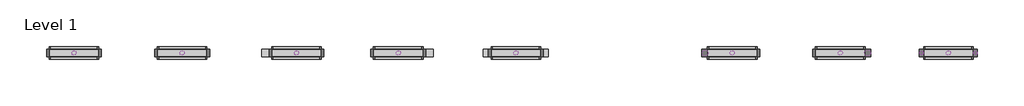
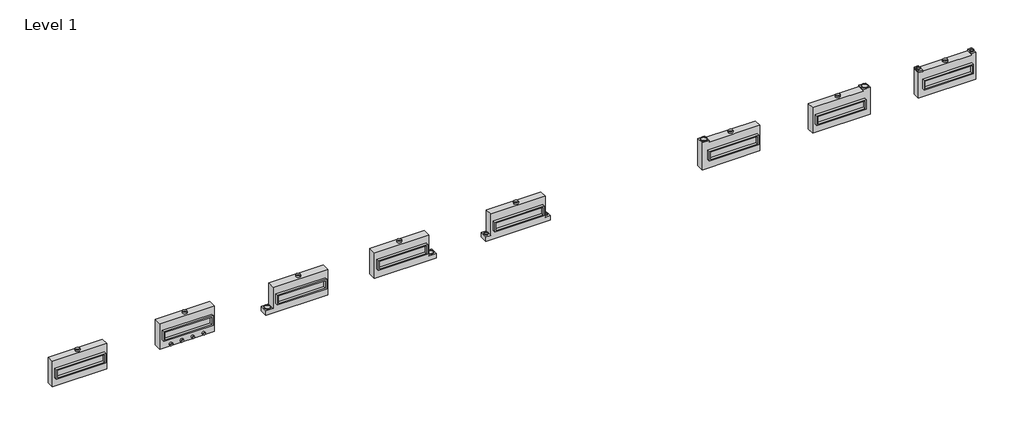
# One storey: 32 proxies.
"""IFC4 building model written with IfcOpenShell, lengths in millimetres."""

import ifcopenshell
import ifcopenshell.guid

model = None  # the IFC model being written
_history = None  # IfcOwnerHistory: only IFC2X3 demands one
_inside = {}  # id of a spatial element -> (the spatial element, [elements in it])
_under = {}  # id of a project, library or spatial element -> (it, [spatial elements below it])
_declared = {}  # id of a project -> (the project, [libraries it declares])
_typed = {}  # id of a type object -> (the type object, [elements of that type])
_made_of = {}  # id of a material, layer set ... -> (it, [elements and type objects made of it])


def new_model(schema):
    """Start an empty IFC model of exactly this schema.

    Asked for "IFC4X3", IfcOpenShell would pick the latest addendum, in which some entities
    have other attributes; the version numbers below select the first issue.
    IFC2X3 requires an IfcOwnerHistory on every rooted entity: one is made here for all.
    """
    global model, _history
    if schema == "IFC4X3":
        model = ifcopenshell.file(schema_version=(4, 3, 0, 0))
    else:
        model = ifcopenshell.file(schema=schema)
    _inside.clear()
    _under.clear()
    _declared.clear()
    _typed.clear()
    _made_of.clear()
    _history = None
    if model.schema == "IFC2X3":
        org = make("IfcOrganization", Name="unknown")
        user = make(
            "IfcPersonAndOrganization",
            ThePerson=make("IfcPerson", FamilyName="unknown"),
            TheOrganization=org,
        )
        app = make(
            "IfcApplication",
            ApplicationDeveloper=org,
            Version="unknown",
            ApplicationFullName="unknown",
            ApplicationIdentifier="unknown",
        )
        _history = make(
            "IfcOwnerHistory",
            OwningUser=user,
            OwningApplication=app,
            ChangeAction="ADDED",
            CreationDate=0,
        )
    return model


def make(cls, **values):
    """One entity of the class cls with the attributes given. An attribute that is None is left unset."""
    return model.create_entity(
        cls, **{name: value for name, value in values.items() if value is not None}
    )


def rooted(cls, **values):
    """An entity with a GlobalId (a new one), such as an element, a storey or a relation."""
    return make(cls, GlobalId=ifcopenshell.guid.new(), OwnerHistory=_history, **values)


def si_unit(unit_type, name, prefix=None):
    """IfcSIUnit, for example si_unit("LENGTHUNIT", "METRE", prefix="MILLI")."""
    return make("IfcSIUnit", UnitType=unit_type, Prefix=prefix, Name=name)


def assignment(units):
    """IfcUnitAssignment: the units of a project."""
    return None if units is None else make("IfcUnitAssignment", Units=units)


def point(xyz):
    """IfcCartesianPoint."""
    return None if xyz is None else make("IfcCartesianPoint", Coordinates=xyz)


def direction(xyz):
    """IfcDirection."""
    return None if xyz is None else make("IfcDirection", DirectionRatios=xyz)


def frame(location, z_axis=None, x_axis=None):
    """IfcAxis2Placement3D, a coordinate frame: its origin and axes. An axis left out is left unset."""
    return make(
        "IfcAxis2Placement3D",
        Location=point(location),
        Axis=direction(z_axis),
        RefDirection=direction(x_axis),
    )


def frame_2d(location, x_axis=None):
    """IfcAxis2Placement2D, a coordinate frame in the plane: its origin and x axis."""
    return make(
        "IfcAxis2Placement2D", Location=point(location), RefDirection=direction(x_axis)
    )


def origin():
    """The frame at (0, 0, 0) with its axes left unset."""
    return frame((0.0, 0.0, 0.0))


def origin_with_axes():
    """The frame at (0, 0, 0) with the z axis (0, 0, 1) and the x axis (1, 0, 0) written out."""
    return frame((0.0, 0.0, 0.0), z_axis=(0.0, 0.0, 1.0), x_axis=(1.0, 0.0, 0.0))


def origin_2d():
    """The frame at (0, 0) in the plane with its x axis left unset."""
    return frame_2d((0.0, 0.0))


def place(relative_to, where):
    """IfcLocalPlacement: puts the frame where relative to a parent placement (None: the world)."""
    return make(
        "IfcLocalPlacement", PlacementRelTo=relative_to, RelativePlacement=where
    )


def context(
    kind, dimensions, precision=None, world=None, true_north=None, identifier=None
):
    """IfcGeometricRepresentationContext, for example the 3D "Model" context."""
    return make(
        "IfcGeometricRepresentationContext",
        ContextIdentifier=identifier,
        ContextType=kind,
        CoordinateSpaceDimension=dimensions,
        Precision=precision,
        WorldCoordinateSystem=world,
        TrueNorth=true_north,
    )


def project(units=None, contexts=None):
    """IfcProject with its units and contexts."""
    return rooted(
        "IfcProject",
        Name="project",
        RepresentationContexts=contexts,
        UnitsInContext=assignment(units),
    )


def spatial(cls, under=None, at=None, **own):
    """A site, building, storey or space (cls), placed at a placement, below another one or the project."""
    s = rooted(cls, ObjectPlacement=at, **own)
    if under is not None:
        _under.setdefault(under.id(), (under, []))[1].append(s)
    return s


def polyline(points):
    """IfcPolyline through the points."""
    return make("IfcPolyline", Points=[point(p) for p in points])


def circle_curve(where, radius):
    """IfcCircle in the frame where."""
    return make("IfcCircle", Position=where, Radius=radius)


def trimmed(basis, trim1, trim2, sense, master):
    """IfcTrimmedCurve: the piece of a basis curve between two trims."""
    return make(
        "IfcTrimmedCurve",
        BasisCurve=basis,
        Trim1=trim1,
        Trim2=trim2,
        SenseAgreement=sense,
        MasterRepresentation=master,
    )


def segment(curve, same_sense, transition):
    """IfcCompositeCurveSegment."""
    return make(
        "IfcCompositeCurveSegment",
        Transition=transition,
        SameSense=same_sense,
        ParentCurve=curve,
    )


def composite_curve(segments, self_intersect=None):
    """IfcCompositeCurve: segments joined end to end."""
    return make("IfcCompositeCurve", Segments=segments, SelfIntersect=self_intersect)


def outline(outer, holes=None, kind="AREA"):
    """IfcArbitraryClosedProfileDef: a profile drawn as a closed curve; with holes, ...WithVoids."""
    if holes is None:
        return make("IfcArbitraryClosedProfileDef", ProfileType=kind, OuterCurve=outer)
    return make(
        "IfcArbitraryProfileDefWithVoids",
        ProfileType=kind,
        OuterCurve=outer,
        InnerCurves=holes,
    )


def extrude(swept, where, along, depth):
    """IfcExtrudedAreaSolid: the profile swept, set in the frame where, extruded along a direction by depth."""
    return make(
        "IfcExtrudedAreaSolid",
        SweptArea=swept,
        Position=where,
        ExtrudedDirection=direction(along),
        Depth=depth,
    )


def shape(context_of_items, identifier, shape_type, items):
    """IfcShapeRepresentation: the items that make up one representation, for example the "Body"."""
    return make(
        "IfcShapeRepresentation",
        ContextOfItems=context_of_items,
        RepresentationIdentifier=identifier,
        RepresentationType=shape_type,
        Items=items,
    )


def source(mapping_origin, context_of_items, identifier, shape_type, items):
    """IfcRepresentationMap: a shape defined once, which mapped items show again and again."""
    return make(
        "IfcRepresentationMap",
        MappingOrigin=mapping_origin,
        MappedRepresentation=shape(context_of_items, identifier, shape_type, items),
    )


def transform(
    local_origin,
    x_axis=None,
    y_axis=None,
    z_axis=None,
    scale=None,
    scale2=None,
    scale3=None,
    uniform=True,
):
    """IfcCartesianTransformationOperator3D, or its non-uniform kind. x_axis, y_axis, z_axis: its Axis1, 2, 3."""
    if uniform:
        return make(
            "IfcCartesianTransformationOperator3D",
            Axis1=direction(x_axis),
            Axis2=direction(y_axis),
            LocalOrigin=point(local_origin),
            Scale=scale,
            Axis3=direction(z_axis),
        )
    return make(
        "IfcCartesianTransformationOperator3DnonUniform",
        Axis1=direction(x_axis),
        Axis2=direction(y_axis),
        LocalOrigin=point(local_origin),
        Scale=scale,
        Axis3=direction(z_axis),
        Scale2=scale2,
        Scale3=scale3,
    )


def mapped(mapping_source, mapping_target):
    """IfcMappedItem: shows the shape of a source again, moved by a transform."""
    return make(
        "IfcMappedItem", MappingSource=mapping_source, MappingTarget=mapping_target
    )


def made_of(thing, what):
    """Note that an element or type object is made of a material, layer set ...; save() writes the relation."""
    if what is not None:
        _made_of.setdefault(what.id(), (what, []))[1].append(thing)
    return thing


def element(
    cls,
    number,
    at=None,
    inside=None,
    cuts=None,
    type_object=None,
    material=None,
    context=None,
    identifier="Body",
    shape_type=None,
    held_by="IfcProductDefinitionShape",
    body=None,
    shapes=None,
    **own,
):
    """One element of the class cls, such as IfcWall. Its Tag is "e" and its number.

    at: its placement. inside: the storey or other place that contains it. cuts: it is an
    opening in that element (IfcRelVoidsElement). A single representation is given by context,
    identifier, shape_type and body (its items); several are given by shapes. held_by: the class
    of the entity that holds the representations. save() writes the other relations.
    """
    e = rooted(cls, Tag="e%d" % number, ObjectPlacement=at, **own)
    if body is not None:
        shapes = [shape(context, identifier, shape_type, body)]
    if shapes is not None:
        e.Representation = make(held_by, Representations=shapes)
    if inside is not None:
        _inside.setdefault(inside.id(), (inside, []))[1].append(e)
    if cuts is not None:
        rooted(
            "IfcRelVoidsElement", RelatingBuildingElement=cuts, RelatedOpeningElement=e
        )
    if type_object is not None:
        _typed.setdefault(type_object.id(), (type_object, []))[1].append(e)
    return made_of(e, material)


def aggregate(whole, parts):
    """IfcRelAggregates: a whole, such as a stair, and the parts it consists of."""
    return rooted("IfcRelAggregates", RelatingObject=whole, RelatedObjects=parts)


def save(model, path):
    """Write the relations noted so far, then the file.

    IfcRelAggregates (storeys below a building ...), IfcRelContainedInSpatialStructure (elements
    in a storey), IfcRelDefinesByType, IfcRelAssociatesMaterial and IfcRelDeclares: one each for
    every whole, place, type object, material and project.
    """
    for whole, parts in _under.values():
        aggregate(whole, parts)
    for where, things in _inside.values():
        rooted(
            "IfcRelContainedInSpatialStructure",
            RelatedElements=things,
            RelatingStructure=where,
        )
    for kind, things in _typed.values():
        rooted("IfcRelDefinesByType", RelatedObjects=things, RelatingType=kind)
    for what, things in _made_of.values():
        rooted("IfcRelAssociatesMaterial", RelatedObjects=things, RelatingMaterial=what)
    for by, libraries in _declared.values():
        rooted("IfcRelDeclares", RelatingContext=by, RelatedDefinitions=libraries)
    model.write(path)


def as_specified_ab51f94f(model_context):
    return source(origin(), model_context, "Body", "SweptSolid", [
        extrude(outline(polyline([(1612.9, 361.95), (1612.9, -298.45), (-1612.9, -298.45), (-1612.9, 361.95), (1612.9, 361.95)]), holes=[polyline([(1524.0, 285.75), (-1524.0, 285.75), (-1524.0, -222.25), (1524.0, -222.25), (1524.0, 285.75)])]), frame((0.0, 0.0, -688.975), z_axis=(0.0, 0.0, 1.0), x_axis=(1.0, 0.0, 0.0)), (0.0, 0.0, 1.0), 165.1),
        extrude(outline(polyline([(1612.9, 361.95), (1612.9, -298.45), (-1612.9, -298.45), (-1612.9, 361.95), (1612.9, 361.95)]), holes=[polyline([(1524.0, 285.75), (-1524.0, 285.75), (-1524.0, -222.25), (1524.0, -222.25), (1524.0, 285.75)])]), frame((0.0, 0.0, -25.4), z_axis=(0.0, 0.0, 1.0), x_axis=(1.0, 0.0, 0.0)), (0.0, 0.0, 1.0), 165.1),
        extrude(outline(polyline([(1524.0, 285.75), (1524.0, -222.25), (-1524.0, -222.25), (-1524.0, 285.75), (1524.0, 285.75)])), frame((0.0, 0.0, -523.875), z_axis=(0.0, 0.0, 1.0), x_axis=(1.0, 0.0, 0.0)), (0.0, 0.0, 1.0), 4.9609375),
        extrude(outline(polyline([(1524.0, 285.75), (1524.0, -222.25), (-1524.0, -222.25), (-1524.0, 285.75), (1524.0, 285.75)])), frame((0.0, 0.0, -30.3609375), z_axis=(0.0, 0.0, 1.0), x_axis=(1.0, 0.0, 0.0)), (0.0, 0.0, 1.0), 4.9609375),
        extrude(outline(polyline([(1778.0, -882.65), (-1778.0, -882.65), (-1778.0, 882.65), (1778.0, 882.65), (1778.0, -882.65)]), holes=[polyline([(-1612.9, 361.95), (-1612.9, -298.45), (1612.9, -298.45), (1612.9, 361.95), (-1612.9, 361.95)])]), frame((0.0, 0.0, -523.875), z_axis=(0.0, 0.0, 1.0), x_axis=(1.0, 0.0, 0.0)), (0.0, 0.0, 1.0), 498.475),
    ])


def as_specified_d7bb1f5a(model_context):
    return source(origin(), model_context, "Body", "SweptSolid", [
        extrude(outline(polyline([(1612.9, 361.95), (1612.9, -298.45), (-1612.9, -298.45), (-1612.9, 361.95), (1612.9, 361.95)]), holes=[polyline([(1524.0, 285.75), (-1524.0, 285.75), (-1524.0, -222.25), (1524.0, -222.25), (1524.0, 285.75)])]), frame((0.0, 0.0, -688.975), z_axis=(0.0, 0.0, 1.0), x_axis=(1.0, 0.0, 0.0)), (0.0, 0.0, 1.0), 165.1),
        extrude(outline(polyline([(1612.9, 361.95), (1612.9, -298.45), (-1612.9, -298.45), (-1612.9, 361.95), (1612.9, 361.95)]), holes=[polyline([(1524.0, 285.75), (-1524.0, 285.75), (-1524.0, -222.25), (1524.0, -222.25), (1524.0, 285.75)])]), frame((0.0, 0.0, -25.4), z_axis=(0.0, 0.0, 1.0), x_axis=(1.0, 0.0, 0.0)), (0.0, 0.0, 1.0), 165.1),
        extrude(outline(polyline([(1524.0, 285.75), (1524.0, -222.25), (-1524.0, -222.25), (-1524.0, 285.75), (1524.0, 285.75)])), frame((0.0, 0.0, -523.875), z_axis=(0.0, 0.0, 1.0), x_axis=(1.0, 0.0, 0.0)), (0.0, 0.0, 1.0), 4.9609375),
        extrude(outline(polyline([(1524.0, 285.75), (1524.0, -222.25), (-1524.0, -222.25), (-1524.0, 285.75), (1524.0, 285.75)])), frame((0.0, 0.0, -30.3609375), z_axis=(0.0, 0.0, 1.0), x_axis=(1.0, 0.0, 0.0)), (0.0, 0.0, 1.0), 4.9609375),
        extrude(outline(polyline([(-1778.0, 882.65), (1778.0, 882.65), (1778.0, -882.65), (-2260.6, -882.65), (-2260.6, -577.85), (-1778.0, -577.85), (-1778.0, 882.65)]), holes=[polyline([(-1612.9, 361.95), (-1612.9, -298.45), (1612.9, -298.45), (1612.9, 361.95), (-1612.9, 361.95)])]), frame((0.0, 0.0, -523.875), z_axis=(0.0, 0.0, 1.0), x_axis=(1.0, 0.0, 0.0)), (0.0, 0.0, 1.0), 498.475),
    ])


def as_specified_10f31103(model_context):
    return source(origin(), model_context, "Body", "SweptSolid", [
        extrude(outline(polyline([(1612.9, 361.95), (1612.9, -298.45), (-1612.9, -298.45), (-1612.9, 361.95), (1612.9, 361.95)]), holes=[polyline([(1524.0, 285.75), (-1524.0, 285.75), (-1524.0, -222.25), (1524.0, -222.25), (1524.0, 285.75)])]), frame((0.0, 0.0, -688.975), z_axis=(0.0, 0.0, 1.0), x_axis=(1.0, 0.0, 0.0)), (0.0, 0.0, 1.0), 165.1),
        extrude(outline(polyline([(1612.9, 361.95), (1612.9, -298.45), (-1612.9, -298.45), (-1612.9, 361.95), (1612.9, 361.95)]), holes=[polyline([(1524.0, 285.75), (-1524.0, 285.75), (-1524.0, -222.25), (1524.0, -222.25), (1524.0, 285.75)])]), frame((0.0, 0.0, -25.4), z_axis=(0.0, 0.0, 1.0), x_axis=(1.0, 0.0, 0.0)), (0.0, 0.0, 1.0), 165.1),
        extrude(outline(polyline([(1524.0, 285.75), (1524.0, -222.25), (-1524.0, -222.25), (-1524.0, 285.75), (1524.0, 285.75)])), frame((0.0, 0.0, -523.875), z_axis=(0.0, 0.0, 1.0), x_axis=(1.0, 0.0, 0.0)), (0.0, 0.0, 1.0), 4.9609375),
        extrude(outline(polyline([(1524.0, 285.75), (1524.0, -222.25), (-1524.0, -222.25), (-1524.0, 285.75), (1524.0, 285.75)])), frame((0.0, 0.0, -30.3609375), z_axis=(0.0, 0.0, 1.0), x_axis=(1.0, 0.0, 0.0)), (0.0, 0.0, 1.0), 4.9609375),
        extrude(outline(polyline([(1778.0, -882.65), (-1981.2, -882.65), (-1981.2, 984.25), (-1524.0, 984.25), (-1524.0, 882.65), (1778.0, 882.65), (1778.0, -882.65)]), holes=[polyline([(-1612.9, 361.95), (-1612.9, -298.45), (1612.9, -298.45), (1612.9, 361.95), (-1612.9, 361.95)])]), frame((0.0, 0.0, -523.875), z_axis=(0.0, 0.0, 1.0), x_axis=(1.0, 0.0, 0.0)), (0.0, 0.0, 1.0), 498.475),
    ])


def as_specified_708edf52(model_context):
    return source(origin(), model_context, "Body", "SweptSolid", [
        extrude(outline(polyline([(1612.9, 361.95), (1612.9, -298.45), (-1612.9, -298.45), (-1612.9, 361.95), (1612.9, 361.95)]), holes=[polyline([(1524.0, 285.75), (-1524.0, 285.75), (-1524.0, -222.25), (1524.0, -222.25), (1524.0, 285.75)])]), frame((0.0, 0.0, -688.975), z_axis=(0.0, 0.0, 1.0), x_axis=(1.0, 0.0, 0.0)), (0.0, 0.0, 1.0), 165.1),
        extrude(outline(polyline([(1612.9, 361.95), (1612.9, -298.45), (-1612.9, -298.45), (-1612.9, 361.95), (1612.9, 361.95)]), holes=[polyline([(1524.0, 285.75), (-1524.0, 285.75), (-1524.0, -222.25), (1524.0, -222.25), (1524.0, 285.75)])]), frame((0.0, 0.0, -25.4), z_axis=(0.0, 0.0, 1.0), x_axis=(1.0, 0.0, 0.0)), (0.0, 0.0, 1.0), 165.1),
        extrude(outline(polyline([(1524.0, 285.75), (1524.0, -222.25), (-1524.0, -222.25), (-1524.0, 285.75), (1524.0, 285.75)])), frame((0.0, 0.0, -523.875), z_axis=(0.0, 0.0, 1.0), x_axis=(1.0, 0.0, 0.0)), (0.0, 0.0, 1.0), 4.9609375),
        extrude(outline(polyline([(1524.0, 285.75), (1524.0, -222.25), (-1524.0, -222.25), (-1524.0, 285.75), (1524.0, 285.75)])), frame((0.0, 0.0, -30.3609375), z_axis=(0.0, 0.0, 1.0), x_axis=(1.0, 0.0, 0.0)), (0.0, 0.0, 1.0), 4.9609375),
        extrude(outline(polyline([(-1778.0, 882.65), (1778.0, 882.65), (1778.0, -577.85), (2108.2, -577.85), (2108.2, -882.65), (-2108.2, -882.65), (-2108.2, -577.85), (-1778.0, -577.85), (-1778.0, 882.65)]), holes=[polyline([(-1612.9, 361.95), (-1612.9, -298.45), (1612.9, -298.45), (1612.9, 361.95), (-1612.9, 361.95)])]), frame((0.0, 0.0, -523.875), z_axis=(0.0, 0.0, 1.0), x_axis=(1.0, 0.0, 0.0)), (0.0, 0.0, 1.0), 498.475),
    ])


def as_specified_36f4f4a4(model_context):
    return source(origin(), model_context, "Body", "SweptSolid", [
        extrude(outline(polyline([(1612.9, 361.95), (1612.9, -298.45), (-1612.9, -298.45), (-1612.9, 361.95), (1612.9, 361.95)]), holes=[polyline([(1524.0, 285.75), (-1524.0, 285.75), (-1524.0, -222.25), (1524.0, -222.25), (1524.0, 285.75)])]), frame((0.0, 0.0, -688.975), z_axis=(0.0, 0.0, 1.0), x_axis=(1.0, 0.0, 0.0)), (0.0, 0.0, 1.0), 165.1),
        extrude(outline(polyline([(1612.9, 361.95), (1612.9, -298.45), (-1612.9, -298.45), (-1612.9, 361.95), (1612.9, 361.95)]), holes=[polyline([(1524.0, 285.75), (-1524.0, 285.75), (-1524.0, -222.25), (1524.0, -222.25), (1524.0, 285.75)])]), frame((0.0, 0.0, -25.4), z_axis=(0.0, 0.0, 1.0), x_axis=(1.0, 0.0, 0.0)), (0.0, 0.0, 1.0), 165.1),
        extrude(outline(polyline([(1524.0, 285.75), (1524.0, -222.25), (-1524.0, -222.25), (-1524.0, 285.75), (1524.0, 285.75)])), frame((0.0, 0.0, -523.875), z_axis=(0.0, 0.0, 1.0), x_axis=(1.0, 0.0, 0.0)), (0.0, 0.0, 1.0), 4.9609375),
        extrude(outline(polyline([(1524.0, 285.75), (1524.0, -222.25), (-1524.0, -222.25), (-1524.0, 285.75), (1524.0, 285.75)])), frame((0.0, 0.0, -30.3609375), z_axis=(0.0, 0.0, 1.0), x_axis=(1.0, 0.0, 0.0)), (0.0, 0.0, 1.0), 4.9609375),
        extrude(outline(polyline([(-1778.0, 882.65), (1778.0, 882.65), (1778.0, -577.85), (2260.6, -577.85), (2260.6, -882.65), (-1778.0, -882.65), (-1778.0, 882.65)]), holes=[polyline([(-1612.9, 361.95), (-1612.9, -298.45), (1612.9, -298.45), (1612.9, 361.95), (-1612.9, 361.95)])]), frame((0.0, 0.0, -523.875), z_axis=(0.0, 0.0, 1.0), x_axis=(1.0, 0.0, 0.0)), (0.0, 0.0, 1.0), 498.475),
    ])


def as_specified_1ba38f6f(model_context):
    return source(origin(), model_context, "Body", "SweptSolid", [
        extrude(outline(polyline([(1612.9, 361.95), (1612.9, -298.45), (-1612.9, -298.45), (-1612.9, 361.95), (1612.9, 361.95)]), holes=[polyline([(1524.0, 285.75), (-1524.0, 285.75), (-1524.0, -222.25), (1524.0, -222.25), (1524.0, 285.75)])]), frame((0.0, 0.0, -688.975), z_axis=(0.0, 0.0, 1.0), x_axis=(1.0, 0.0, 0.0)), (0.0, 0.0, 1.0), 165.1),
        extrude(outline(polyline([(1612.9, 361.95), (1612.9, -298.45), (-1612.9, -298.45), (-1612.9, 361.95), (1612.9, 361.95)]), holes=[polyline([(1524.0, 285.75), (-1524.0, 285.75), (-1524.0, -222.25), (1524.0, -222.25), (1524.0, 285.75)])]), frame((0.0, 0.0, -25.4), z_axis=(0.0, 0.0, 1.0), x_axis=(1.0, 0.0, 0.0)), (0.0, 0.0, 1.0), 165.1),
        extrude(outline(polyline([(1524.0, 285.75), (1524.0, -222.25), (-1524.0, -222.25), (-1524.0, 285.75), (1524.0, 285.75)])), frame((0.0, 0.0, -523.875), z_axis=(0.0, 0.0, 1.0), x_axis=(1.0, 0.0, 0.0)), (0.0, 0.0, 1.0), 4.9609375),
        extrude(outline(polyline([(1524.0, 285.75), (1524.0, -222.25), (-1524.0, -222.25), (-1524.0, 285.75), (1524.0, 285.75)])), frame((0.0, 0.0, -30.3609375), z_axis=(0.0, 0.0, 1.0), x_axis=(1.0, 0.0, 0.0)), (0.0, 0.0, 1.0), 4.9609375),
        extrude(outline(polyline([(1981.2, -882.65), (-1778.0, -882.65), (-1778.0, 882.65), (1524.0, 882.65), (1524.0, 984.25), (1981.2, 984.25), (1981.2, -882.65)]), holes=[polyline([(-1612.9, 361.95), (-1612.9, -298.45), (1612.9, -298.45), (1612.9, 361.95), (-1612.9, 361.95)])]), frame((0.0, 0.0, -523.875), z_axis=(0.0, 0.0, 1.0), x_axis=(1.0, 0.0, 0.0)), (0.0, 0.0, 1.0), 498.475),
    ])


def as_specified_6bef17b9(model_context):
    return source(origin(), model_context, "Body", "SweptSolid", [
        extrude(outline(polyline([(1612.9, 361.95), (1612.9, -298.45), (-1612.9, -298.45), (-1612.9, 361.95), (1612.9, 361.95)]), holes=[polyline([(1524.0, 285.75), (-1524.0, 285.75), (-1524.0, -222.25), (1524.0, -222.25), (1524.0, 285.75)])]), frame((0.0, 0.0, -688.975), z_axis=(0.0, 0.0, 1.0), x_axis=(1.0, 0.0, 0.0)), (0.0, 0.0, 1.0), 165.1),
        extrude(outline(polyline([(1612.9, 361.95), (1612.9, -298.45), (-1612.9, -298.45), (-1612.9, 361.95), (1612.9, 361.95)]), holes=[polyline([(1524.0, 285.75), (-1524.0, 285.75), (-1524.0, -222.25), (1524.0, -222.25), (1524.0, 285.75)])]), frame((0.0, 0.0, -25.4), z_axis=(0.0, 0.0, 1.0), x_axis=(1.0, 0.0, 0.0)), (0.0, 0.0, 1.0), 165.1),
        extrude(outline(polyline([(-1612.9, 882.65), (-1879.6, 882.65), (-1879.6, 984.25), (-1612.9, 984.25), (-1612.9, 882.65)])), frame((0.0, 0.0, -523.875), z_axis=(0.0, 0.0, 1.0), x_axis=(1.0, 0.0, 0.0)), (0.0, 0.0, 1.0), 498.475),
        extrude(outline(polyline([(1524.0, 285.75), (1524.0, -222.25), (-1524.0, -222.25), (-1524.0, 285.75), (1524.0, 285.75)])), frame((0.0, 0.0, -523.875), z_axis=(0.0, 0.0, 1.0), x_axis=(1.0, 0.0, 0.0)), (0.0, 0.0, 1.0), 4.9609375),
        extrude(outline(polyline([(1524.0, 285.75), (1524.0, -222.25), (-1524.0, -222.25), (-1524.0, 285.75), (1524.0, 285.75)])), frame((0.0, 0.0, -30.3609375), z_axis=(0.0, 0.0, 1.0), x_axis=(1.0, 0.0, 0.0)), (0.0, 0.0, 1.0), 4.9609375),
        extrude(outline(polyline([(1879.6, -882.65), (-1879.6, -882.65), (-1879.6, 882.65), (1612.9, 882.65), (1612.9, 984.25), (1879.6, 984.25), (1879.6, -882.65)]), holes=[polyline([(-1612.9, 361.95), (-1612.9, -298.45), (1612.9, -298.45), (1612.9, 361.95), (-1612.9, 361.95)])]), frame((0.0, 0.0, -523.875), z_axis=(0.0, 0.0, 1.0), x_axis=(1.0, 0.0, 0.0)), (0.0, 0.0, 1.0), 498.475),
    ])


def proxy_814ff0a6(model_context):
    return source(origin(), model_context, "Body", "SweptSolid", [
        extrude(outline(composite_curve([segment(trimmed(circle_curve(origin_2d(), 149.225), [point((-149.225, 0.0))], [point((149.225, 0.0))], False, "CARTESIAN"), True, "CONTINUOUS"), segment(trimmed(circle_curve(origin_2d(), 149.225), [point((149.225, 0.0))], [point((-149.225, 0.0))], False, "CARTESIAN"), True, "CONTINUOUS")], self_intersect=False), holes=[composite_curve([segment(trimmed(circle_curve(origin_2d(), 147.6375), [point((-147.6375, 0.0))], [point((147.6375, 0.0))], True, "CARTESIAN"), True, "CONTINUOUS"), segment(trimmed(circle_curve(origin_2d(), 147.6375), [point((147.6375, 0.0))], [point((-147.6375, 0.0))], True, "CARTESIAN"), True, "CONTINUOUS")], self_intersect=False)]), origin_with_axes(), (0.0, 0.0, 1.0), 101.6),
    ])


def proxy_1980b29d(model_context):
    return source(origin(), model_context, "Body", "SweptSolid", [
        extrude(outline(composite_curve([segment(trimmed(circle_curve(origin_2d(), 201.6621094), [point((-201.6621094, 0.0))], [point((201.6621094, 0.0))], False, "CARTESIAN"), True, "CONTINUOUS"), segment(trimmed(circle_curve(origin_2d(), 201.6621094), [point((201.6621094, 0.0))], [point((-201.6621094, 0.0))], False, "CARTESIAN"), True, "CONTINUOUS")], self_intersect=False), holes=[composite_curve([segment(trimmed(circle_curve(origin_2d(), 200.0746094), [point((-200.0746094, 0.0))], [point((200.0746094, 0.0))], True, "CARTESIAN"), True, "CONTINUOUS"), segment(trimmed(circle_curve(origin_2d(), 200.0746094), [point((200.0746094, 0.0))], [point((-200.0746094, 0.0))], True, "CARTESIAN"), True, "CONTINUOUS")], self_intersect=False)]), origin_with_axes(), (0.0, 0.0, 1.0), 50.8),
    ])


def proxy_5643af6b(model_context):
    return source(origin(), model_context, "Body", "SweptSolid", [
        extrude(outline(composite_curve([segment(trimmed(circle_curve(origin_2d(), 100.0125), [point((-100.0125, 0.0))], [point((100.0125, 0.0))], False, "CARTESIAN"), True, "CONTINUOUS"), segment(trimmed(circle_curve(origin_2d(), 100.0125), [point((100.0125, 0.0))], [point((-100.0125, 0.0))], False, "CARTESIAN"), True, "CONTINUOUS")], self_intersect=False), holes=[composite_curve([segment(trimmed(circle_curve(origin_2d(), 98.425), [point((-98.425, 0.0))], [point((98.425, 0.0))], True, "CARTESIAN"), True, "CONTINUOUS"), segment(trimmed(circle_curve(origin_2d(), 98.425), [point((98.425, 0.0))], [point((-98.425, 0.0))], True, "CARTESIAN"), True, "CONTINUOUS")], self_intersect=False)]), origin_with_axes(), (0.0, 0.0, 1.0), 101.6),
    ])


def proxy_c1ba4f62(model_context):
    return source(origin(), model_context, "Body", "SweptSolid", [
        extrude(outline(composite_curve([segment(trimmed(circle_curve(origin_2d(), 103.1875), [point((-103.1875, 0.0))], [point((103.1875, 0.0))], False, "CARTESIAN"), True, "CONTINUOUS"), segment(trimmed(circle_curve(origin_2d(), 103.1875), [point((103.1875, 0.0))], [point((-103.1875, 0.0))], False, "CARTESIAN"), True, "CONTINUOUS")], self_intersect=False), holes=[composite_curve([segment(trimmed(circle_curve(origin_2d(), 101.6), [point((-101.6, 0.0))], [point((101.6, 0.0))], True, "CARTESIAN"), True, "CONTINUOUS"), segment(trimmed(circle_curve(origin_2d(), 101.6), [point((101.6, 0.0))], [point((-101.6, 0.0))], True, "CARTESIAN"), True, "CONTINUOUS")], self_intersect=False)]), origin_with_axes(), (0.0, 0.0, 1.0), 6.35),
    ])


def proxy_f04a25a4(model_context):
    return source(origin(), model_context, "Body", "SweptSolid", [
        extrude(outline(composite_curve([segment(trimmed(circle_curve(origin_2d(), 125.4125), [point((-125.4125, 0.0))], [point((125.4125, 0.0))], False, "CARTESIAN"), True, "CONTINUOUS"), segment(trimmed(circle_curve(origin_2d(), 125.4125), [point((125.4125, 0.0))], [point((-125.4125, 0.0))], False, "CARTESIAN"), True, "CONTINUOUS")], self_intersect=False), holes=[composite_curve([segment(trimmed(circle_curve(origin_2d(), 123.825), [point((-123.825, 0.0))], [point((123.825, 0.0))], True, "CARTESIAN"), True, "CONTINUOUS"), segment(trimmed(circle_curve(origin_2d(), 123.825), [point((123.825, 0.0))], [point((-123.825, 0.0))], True, "CARTESIAN"), True, "CONTINUOUS")], self_intersect=False)]), origin_with_axes(), (0.0, 0.0, 1.0), 50.8),
    ])


model = new_model("IFC4")

# Units and contexts
model_context = context("Model", 3, world=origin())
ifc_project = project(units=[si_unit("LENGTHUNIT", "METRE", prefix="MILLI")], contexts=[model_context])

# Site, building, storey
site = spatial("IfcSite", under=ifc_project)
building = spatial("IfcBuilding", under=site)
storey = spatial("IfcBuildingStorey", under=building, Name="Level 1", Elevation=0.0)

# Proxies
placement = place(None, origin())
as_specified_shape = as_specified_ab51f94f(model_context)
element("IfcBuildingElementProxy", 1, Name="As Specified", ObjectType="As Specified", at=placement, inside=storey, context=model_context, shape_type="MappedRepresentation", body=[
    mapped(as_specified_shape, transform((-13859.9425598, 1616.7712992, 1066.8), x_axis=(1.0, 0.0, 0.0), y_axis=(0.0, 0.0, 1.0), z_axis=(0.0, -1.0, 0.0))),
])
as_specified_2_shape = as_specified_d7bb1f5a(model_context)
element("IfcBuildingElementProxy", 2, Name="As Specified", ObjectType="As Specified", at=placement, inside=storey, context=model_context, shape_type="MappedRepresentation", body=[
    mapped(as_specified_2_shape, transform((565.6597121, 1616.7712992, 1144.6311604), x_axis=(1.0, 0.0, 0.0), y_axis=(0.0, 0.0, 1.0), z_axis=(0.0, -1.0, 0.0))),
])
as_specified_3_shape = as_specified_10f31103(model_context)
element("IfcBuildingElementProxy", 3, Name="As Specified", ObjectType="As Specified", at=placement, inside=storey, context=model_context, shape_type="MappedRepresentation", body=[
    mapped(as_specified_3_shape, transform((28812.0574402, 1616.7712992, 1219.2), x_axis=(1.0, 0.0, 0.0), y_axis=(0.0, 0.0, 1.0), z_axis=(0.0, -1.0, 0.0))),
])
as_specified_4_shape = as_specified_708edf52(model_context)
element("IfcBuildingElementProxy", 4, Name="As Specified", ObjectType="As Specified", at=placement, inside=storey, context=model_context, shape_type="MappedRepresentation", body=[
    mapped(as_specified_4_shape, transform((14791.2574402, 1616.7712992, 1219.2), x_axis=(1.0, 0.0, 0.0), y_axis=(0.0, 0.0, 1.0), z_axis=(0.0, -1.0, 0.0))),
])
as_specified_5_shape = as_specified_36f4f4a4(model_context)
element("IfcBuildingElementProxy", 5, Name="As Specified", ObjectType="As Specified", at=placement, inside=storey, context=model_context, shape_type="MappedRepresentation", body=[
    mapped(as_specified_5_shape, transform((7171.2574402, 1616.7712992, 1219.2), x_axis=(1.0, 0.0, 0.0), y_axis=(0.0, 0.0, 1.0), z_axis=(0.0, -1.0, 0.0))),
])
as_specified_6_shape = as_specified_1ba38f6f(model_context)
element("IfcBuildingElementProxy", 6, Name="As Specified", ObjectType="As Specified", at=placement, inside=storey, context=model_context, shape_type="MappedRepresentation", body=[
    mapped(as_specified_6_shape, transform((35822.4574402, 1616.7712992, 1219.2), x_axis=(1.0, 0.0, 0.0), y_axis=(0.0, 0.0, 1.0), z_axis=(0.0, -1.0, 0.0))),
])
as_specified_7_shape = as_specified_6bef17b9(model_context)
element("IfcBuildingElementProxy", 7, Name="As Specified", ObjectType="As Specified", at=placement, inside=storey, context=model_context, shape_type="MappedRepresentation", body=[
    mapped(as_specified_7_shape, transform((42832.8574402, 1616.7712992, 1219.2), x_axis=(1.0, 0.0, 0.0), y_axis=(0.0, 0.0, 1.0), z_axis=(0.0, -1.0, 0.0))),
])
element("IfcBuildingElementProxy", 8, Name="As Specified", ObjectType="As Specified", at=placement, inside=storey, context=model_context, shape_type="MappedRepresentation", body=[
    mapped(as_specified_shape, transform((-6849.5425598, 1616.7712992, 1219.2), x_axis=(1.0, 0.0, 0.0), y_axis=(0.0, 0.0, 1.0), z_axis=(0.0, -1.0, 0.0))),
])
proxy_shape = proxy_814ff0a6(model_context)
element("IfcBuildingElementProxy", 9, Name="Duct Dia : 11 3/4\" Dia", ObjectType="Duct Dia : 11 3/4\" Dia", at=placement, inside=storey, context=model_context, shape_type="MappedRepresentation", body=[
    mapped(proxy_shape, transform((-13859.9425598, 1891.4087992, 1949.45), x_axis=(1.0, 0.0, 0.0), y_axis=(0.0, 1.0, 0.0), z_axis=(0.0, 0.0, 1.0))),
])
element("IfcBuildingElementProxy", 10, Name="Duct Dia : 11 3/4\" Dia", ObjectType="Duct Dia : 11 3/4\" Dia", at=placement, inside=storey, context=model_context, shape_type="MappedRepresentation", body=[
    mapped(proxy_shape, transform((-6849.5425598, 1891.4087992, 2101.85), x_axis=(1.0, 0.0, 0.0), y_axis=(0.0, 1.0, 0.0), z_axis=(0.0, 0.0, 1.0))),
])
element("IfcBuildingElementProxy", 11, Name="Duct Dia : 11 3/4\" Dia", ObjectType="Duct Dia : 11 3/4\" Dia", at=placement, inside=storey, context=model_context, shape_type="MappedRepresentation", body=[
    mapped(proxy_shape, transform((565.6597121, 1891.4087992, 2027.2811604), x_axis=(1.0, 0.0, 0.0), y_axis=(0.0, 1.0, 0.0), z_axis=(0.0, 0.0, 1.0))),
])
element("IfcBuildingElementProxy", 12, Name="Duct Dia : 11 3/4\" Dia", ObjectType="Duct Dia : 11 3/4\" Dia", at=placement, inside=storey, context=model_context, shape_type="MappedRepresentation", body=[
    mapped(proxy_shape, transform((7171.2574402, 1891.4087992, 2101.85), x_axis=(1.0, 0.0, 0.0), y_axis=(0.0, 1.0, 0.0), z_axis=(0.0, 0.0, 1.0))),
])
element("IfcBuildingElementProxy", 13, Name="Duct Dia : 11 3/4\" Dia", ObjectType="Duct Dia : 11 3/4\" Dia", at=placement, inside=storey, context=model_context, shape_type="MappedRepresentation", body=[
    mapped(proxy_shape, transform((14791.2574402, 1891.4087992, 2101.85), x_axis=(1.0, 0.0, 0.0), y_axis=(0.0, 1.0, 0.0), z_axis=(0.0, 0.0, 1.0))),
])
element("IfcBuildingElementProxy", 14, Name="Duct Dia : 11 3/4\" Dia", ObjectType="Duct Dia : 11 3/4\" Dia", at=placement, inside=storey, context=model_context, shape_type="MappedRepresentation", body=[
    mapped(proxy_shape, transform((28812.0574402, 1891.4087992, 2101.85), x_axis=(1.0, 0.0, 0.0), y_axis=(0.0, 1.0, 0.0), z_axis=(0.0, 0.0, 1.0))),
])
element("IfcBuildingElementProxy", 15, Name="Duct Dia : 11 3/4\" Dia", ObjectType="Duct Dia : 11 3/4\" Dia", at=placement, inside=storey, context=model_context, shape_type="MappedRepresentation", body=[
    mapped(proxy_shape, transform((35822.4574402, 1891.4087992, 2101.85), x_axis=(1.0, 0.0, 0.0), y_axis=(0.0, 1.0, 0.0), z_axis=(0.0, 0.0, 1.0))),
])
element("IfcBuildingElementProxy", 16, Name="Duct Dia : 11 3/4\" Dia", ObjectType="Duct Dia : 11 3/4\" Dia", at=placement, inside=storey, context=model_context, shape_type="MappedRepresentation", body=[
    mapped(proxy_shape, transform((42832.8574402, 1891.4087992, 2101.85), x_axis=(1.0, 0.0, 0.0), y_axis=(0.0, 1.0, 0.0), z_axis=(0.0, 0.0, 1.0))),
])
proxy_2_shape = proxy_1980b29d(model_context)
element("IfcBuildingElementProxy", 17, Name="Duct Dia : 15 7/8\" Dia.", ObjectType="Duct Dia : 15 7/8\" Dia.", at=placement, inside=storey, context=model_context, shape_type="MappedRepresentation", body=[
    mapped(proxy_2_shape, transform((-1453.6402879, 1891.4087992, 566.7811604), x_axis=(1.0, 0.0, 0.0), y_axis=(0.0, 1.0, 0.0), z_axis=(0.0, 0.0, 1.0))),
])
element("IfcBuildingElementProxy", 18, Name="Duct Dia : 15 7/8\" Dia.", ObjectType="Duct Dia : 15 7/8\" Dia.", at=placement, inside=storey, context=model_context, shape_type="MappedRepresentation", body=[
    mapped(proxy_2_shape, transform((27059.4574402, 1891.4087992, 2203.45), x_axis=(1.0, 0.0, 0.0), y_axis=(0.0, 1.0, 0.0), z_axis=(0.0, 0.0, 1.0))),
])
element("IfcBuildingElementProxy", 19, Name="Duct Dia : 15 7/8\" Dia.", ObjectType="Duct Dia : 15 7/8\" Dia.", at=placement, inside=storey, context=model_context, shape_type="MappedRepresentation", body=[
    mapped(proxy_2_shape, transform((9190.5574402, 1891.4087992, 641.35), x_axis=(-1.0, 0.0, 0.0), y_axis=(0.0, -1.0, 0.0), z_axis=(0.0, 0.0, 1.0))),
])
element("IfcBuildingElementProxy", 20, Name="Duct Dia : 15 7/8\" Dia.", ObjectType="Duct Dia : 15 7/8\" Dia.", at=placement, inside=storey, context=model_context, shape_type="MappedRepresentation", body=[
    mapped(proxy_2_shape, transform((37587.7574402, 1891.4087992, 2203.45), x_axis=(-1.0, 0.0, 0.0), y_axis=(0.0, -1.0, 0.0), z_axis=(0.0, 0.0, 1.0))),
])
proxy_3_shape = proxy_5643af6b(model_context)
element("IfcBuildingElementProxy", 21, Name="Duct Dia : 7 7/8\" Dia", ObjectType="Duct Dia : 7 7/8\" Dia", at=placement, inside=storey, context=model_context, shape_type="MappedRepresentation", body=[
    mapped(proxy_3_shape, transform((-7205.1425598, 1642.1712992, 488.95), x_axis=(-1.0, 0.0, 0.0), y_axis=(0.0, 0.0, -1.0), z_axis=(0.0, -1.0, 0.0))),
])
element("IfcBuildingElementProxy", 22, Name="Duct Dia : 7 7/8\" Dia", ObjectType="Duct Dia : 7 7/8\" Dia", at=placement, inside=storey, context=model_context, shape_type="MappedRepresentation", body=[
    mapped(proxy_3_shape, transform((-5782.7425598, 1642.1712992, 488.95), x_axis=(-1.0, 0.0, 0.0), y_axis=(0.0, 0.0, -1.0), z_axis=(0.0, -1.0, 0.0))),
])
element("IfcBuildingElementProxy", 23, Name="Duct Dia : 7 7/8\" Dia", ObjectType="Duct Dia : 7 7/8\" Dia", at=placement, inside=storey, context=model_context, shape_type="MappedRepresentation", body=[
    mapped(proxy_3_shape, transform((-6493.9425598, 1642.1712992, 488.95), x_axis=(-1.0, 0.0, 0.0), y_axis=(0.0, 0.0, -1.0), z_axis=(0.0, -1.0, 0.0))),
])
element("IfcBuildingElementProxy", 24, Name="Duct Dia : 7 7/8\" Dia", ObjectType="Duct Dia : 7 7/8\" Dia", at=placement, inside=storey, context=model_context, shape_type="MappedRepresentation", body=[
    mapped(proxy_3_shape, transform((-7916.3425598, 1642.1712992, 488.95), x_axis=(-1.0, 0.0, 0.0), y_axis=(0.0, 0.0, -1.0), z_axis=(0.0, -1.0, 0.0))),
])
proxy_4_shape = proxy_c1ba4f62(model_context)
element("IfcBuildingElementProxy", 25, Name="Duct Dia : 8 1/8\" Dia", ObjectType="Duct Dia : 8 1/8\" Dia", at=placement, inside=storey, context=model_context, shape_type="MappedRepresentation", body=[
    mapped(proxy_4_shape, transform((-14926.7425598, 1907.0853617, 184.15), x_axis=(1.0, 0.0, 0.0), y_axis=(0.0, -1.0, 0.0), z_axis=(0.0, 0.0, -1.0))),
])
element("IfcBuildingElementProxy", 26, Name="Duct Dia : 8 1/8\" Dia", ObjectType="Duct Dia : 8 1/8\" Dia", at=placement, inside=storey, context=model_context, shape_type="MappedRepresentation", body=[
    mapped(proxy_4_shape, transform((-12793.1425598, 1907.0853617, 184.15), x_axis=(1.0, 0.0, 0.0), y_axis=(0.0, -1.0, 0.0), z_axis=(0.0, 0.0, -1.0))),
])
element("IfcBuildingElementProxy", 27, Name="Duct Dia : 8 1/8\" Dia", ObjectType="Duct Dia : 8 1/8\" Dia", at=placement, inside=storey, context=model_context, shape_type="MappedRepresentation", body=[
    mapped(proxy_4_shape, transform((-13504.3425598, 1907.0853617, 184.15), x_axis=(1.0, 0.0, 0.0), y_axis=(0.0, -1.0, 0.0), z_axis=(0.0, 0.0, -1.0))),
])
element("IfcBuildingElementProxy", 28, Name="Duct Dia : 8 1/8\" Dia", ObjectType="Duct Dia : 8 1/8\" Dia", at=placement, inside=storey, context=model_context, shape_type="MappedRepresentation", body=[
    mapped(proxy_4_shape, transform((-14215.5425598, 1907.0853617, 184.15), x_axis=(1.0, 0.0, 0.0), y_axis=(0.0, -1.0, 0.0), z_axis=(0.0, 0.0, -1.0))),
])
proxy_5_shape = proxy_f04a25a4(model_context)
element("IfcBuildingElementProxy", 29, Name="Duct Dia : 9 7/8\" Dia.", ObjectType="Duct Dia : 9 7/8\" Dia.", at=placement, inside=storey, context=model_context, shape_type="MappedRepresentation", body=[
    mapped(proxy_5_shape, transform((12848.1574402, 1891.4087992, 641.35), x_axis=(1.0, 0.0, 0.0), y_axis=(0.0, 1.0, 0.0), z_axis=(0.0, 0.0, 1.0))),
])
element("IfcBuildingElementProxy", 30, Name="Duct Dia : 9 7/8\" Dia.", ObjectType="Duct Dia : 9 7/8\" Dia.", at=placement, inside=storey, context=model_context, shape_type="MappedRepresentation", body=[
    mapped(proxy_5_shape, transform((41086.6074402, 1891.4087992, 2203.45), x_axis=(1.0, 0.0, 0.0), y_axis=(0.0, 1.0, 0.0), z_axis=(0.0, 0.0, 1.0))),
])
element("IfcBuildingElementProxy", 31, Name="Duct Dia : 9 7/8\" Dia.", ObjectType="Duct Dia : 9 7/8\" Dia.", at=placement, inside=storey, context=model_context, shape_type="MappedRepresentation", body=[
    mapped(proxy_5_shape, transform((16734.3574402, 1891.4087992, 641.35), x_axis=(-1.0, 0.0, 0.0), y_axis=(0.0, -1.0, 0.0), z_axis=(0.0, 0.0, 1.0))),
])
element("IfcBuildingElementProxy", 32, Name="Duct Dia : 9 7/8\" Dia.", ObjectType="Duct Dia : 9 7/8\" Dia.", at=placement, inside=storey, context=model_context, shape_type="MappedRepresentation", body=[
    mapped(proxy_5_shape, transform((44579.1074402, 1891.4087992, 2203.45), x_axis=(-1.0, 0.0, 0.0), y_axis=(0.0, -1.0, 0.0), z_axis=(0.0, 0.0, 1.0))),
])

save(model, "model.ifc")
